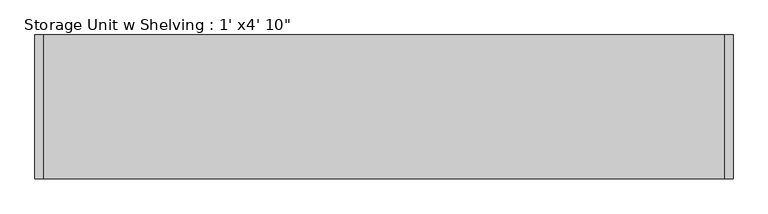
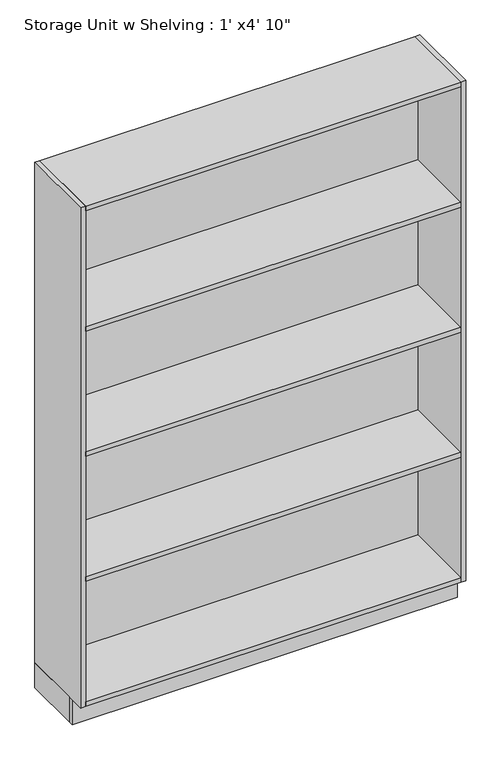
"""IFC4 building model written with IfcOpenShell, lengths in millimetres: furniture geometry."""

import ifcopenshell
import ifcopenshell.guid

model = None  # the IFC model being written
_history = None  # IfcOwnerHistory: only IFC2X3 demands one
_inside = {}  # id of a spatial element -> (the spatial element, [elements in it])
_under = {}  # id of a project, library or spatial element -> (it, [spatial elements below it])
_declared = {}  # id of a project -> (the project, [libraries it declares])
_typed = {}  # id of a type object -> (the type object, [elements of that type])
_made_of = {}  # id of a material, layer set ... -> (it, [elements and type objects made of it])


def new_model(schema):
    """Start an empty IFC model of exactly this schema.

    Asked for "IFC4X3", IfcOpenShell would pick the latest addendum, in which some entities
    have other attributes; the version numbers below select the first issue.
    IFC2X3 requires an IfcOwnerHistory on every rooted entity: one is made here for all.
    """
    global model, _history
    if schema == "IFC4X3":
        model = ifcopenshell.file(schema_version=(4, 3, 0, 0))
    else:
        model = ifcopenshell.file(schema=schema)
    _inside.clear()
    _under.clear()
    _declared.clear()
    _typed.clear()
    _made_of.clear()
    _history = None
    if model.schema == "IFC2X3":
        org = make("IfcOrganization", Name="unknown")
        user = make(
            "IfcPersonAndOrganization",
            ThePerson=make("IfcPerson", FamilyName="unknown"),
            TheOrganization=org,
        )
        app = make(
            "IfcApplication",
            ApplicationDeveloper=org,
            Version="unknown",
            ApplicationFullName="unknown",
            ApplicationIdentifier="unknown",
        )
        _history = make(
            "IfcOwnerHistory",
            OwningUser=user,
            OwningApplication=app,
            ChangeAction="ADDED",
            CreationDate=0,
        )
    return model


def make(cls, **values):
    """One entity of the class cls with the attributes given. An attribute that is None is left unset."""
    return model.create_entity(
        cls, **{name: value for name, value in values.items() if value is not None}
    )


def rooted(cls, **values):
    """An entity with a GlobalId (a new one), such as an element, a storey or a relation."""
    return make(cls, GlobalId=ifcopenshell.guid.new(), OwnerHistory=_history, **values)


def si_unit(unit_type, name, prefix=None):
    """IfcSIUnit, for example si_unit("LENGTHUNIT", "METRE", prefix="MILLI")."""
    return make("IfcSIUnit", UnitType=unit_type, Prefix=prefix, Name=name)


def assignment(units):
    """IfcUnitAssignment: the units of a project."""
    return None if units is None else make("IfcUnitAssignment", Units=units)


def point(xyz):
    """IfcCartesianPoint."""
    return None if xyz is None else make("IfcCartesianPoint", Coordinates=xyz)


def direction(xyz):
    """IfcDirection."""
    return None if xyz is None else make("IfcDirection", DirectionRatios=xyz)


def frame(location, z_axis=None, x_axis=None):
    """IfcAxis2Placement3D, a coordinate frame: its origin and axes. An axis left out is left unset."""
    return make(
        "IfcAxis2Placement3D",
        Location=point(location),
        Axis=direction(z_axis),
        RefDirection=direction(x_axis),
    )


def origin():
    """The frame at (0, 0, 0) with its axes left unset."""
    return frame((0.0, 0.0, 0.0))


def origin_with_axes():
    """The frame at (0, 0, 0) with the z axis (0, 0, 1) and the x axis (1, 0, 0) written out."""
    return frame((0.0, 0.0, 0.0), z_axis=(0.0, 0.0, 1.0), x_axis=(1.0, 0.0, 0.0))


def place(relative_to, where):
    """IfcLocalPlacement: puts the frame where relative to a parent placement (None: the world)."""
    return make(
        "IfcLocalPlacement", PlacementRelTo=relative_to, RelativePlacement=where
    )


def context(
    kind, dimensions, precision=None, world=None, true_north=None, identifier=None
):
    """IfcGeometricRepresentationContext, for example the 3D "Model" context."""
    return make(
        "IfcGeometricRepresentationContext",
        ContextIdentifier=identifier,
        ContextType=kind,
        CoordinateSpaceDimension=dimensions,
        Precision=precision,
        WorldCoordinateSystem=world,
        TrueNorth=true_north,
    )


def project(units=None, contexts=None):
    """IfcProject with its units and contexts."""
    return rooted(
        "IfcProject",
        Name="project",
        RepresentationContexts=contexts,
        UnitsInContext=assignment(units),
    )


def spatial(cls, under=None, at=None, **own):
    """A site, building, storey or space (cls), placed at a placement, below another one or the project."""
    s = rooted(cls, ObjectPlacement=at, **own)
    if under is not None:
        _under.setdefault(under.id(), (under, []))[1].append(s)
    return s


def polyline(points):
    """IfcPolyline through the points."""
    return make("IfcPolyline", Points=[point(p) for p in points])


def outline(outer, holes=None, kind="AREA"):
    """IfcArbitraryClosedProfileDef: a profile drawn as a closed curve; with holes, ...WithVoids."""
    if holes is None:
        return make("IfcArbitraryClosedProfileDef", ProfileType=kind, OuterCurve=outer)
    return make(
        "IfcArbitraryProfileDefWithVoids",
        ProfileType=kind,
        OuterCurve=outer,
        InnerCurves=holes,
    )


def extrude(swept, where, along, depth):
    """IfcExtrudedAreaSolid: the profile swept, set in the frame where, extruded along a direction by depth."""
    return make(
        "IfcExtrudedAreaSolid",
        SweptArea=swept,
        Position=where,
        ExtrudedDirection=direction(along),
        Depth=depth,
    )


def shape(context_of_items, identifier, shape_type, items):
    """IfcShapeRepresentation: the items that make up one representation, for example the "Body"."""
    return make(
        "IfcShapeRepresentation",
        ContextOfItems=context_of_items,
        RepresentationIdentifier=identifier,
        RepresentationType=shape_type,
        Items=items,
    )


def source(mapping_origin, context_of_items, identifier, shape_type, items):
    """IfcRepresentationMap: a shape defined once, which mapped items show again and again."""
    return make(
        "IfcRepresentationMap",
        MappingOrigin=mapping_origin,
        MappedRepresentation=shape(context_of_items, identifier, shape_type, items),
    )


def transform(
    local_origin,
    x_axis=None,
    y_axis=None,
    z_axis=None,
    scale=None,
    scale2=None,
    scale3=None,
    uniform=True,
):
    """IfcCartesianTransformationOperator3D, or its non-uniform kind. x_axis, y_axis, z_axis: its Axis1, 2, 3."""
    if uniform:
        return make(
            "IfcCartesianTransformationOperator3D",
            Axis1=direction(x_axis),
            Axis2=direction(y_axis),
            LocalOrigin=point(local_origin),
            Scale=scale,
            Axis3=direction(z_axis),
        )
    return make(
        "IfcCartesianTransformationOperator3DnonUniform",
        Axis1=direction(x_axis),
        Axis2=direction(y_axis),
        LocalOrigin=point(local_origin),
        Scale=scale,
        Axis3=direction(z_axis),
        Scale2=scale2,
        Scale3=scale3,
    )


def mapped(mapping_source, mapping_target):
    """IfcMappedItem: shows the shape of a source again, moved by a transform."""
    return make(
        "IfcMappedItem", MappingSource=mapping_source, MappingTarget=mapping_target
    )


def made_of(thing, what):
    """Note that an element or type object is made of a material, layer set ...; save() writes the relation."""
    if what is not None:
        _made_of.setdefault(what.id(), (what, []))[1].append(thing)
    return thing


def element(
    cls,
    number,
    at=None,
    inside=None,
    cuts=None,
    type_object=None,
    material=None,
    context=None,
    identifier="Body",
    shape_type=None,
    held_by="IfcProductDefinitionShape",
    body=None,
    shapes=None,
    **own,
):
    """One element of the class cls, such as IfcWall. Its Tag is "e" and its number.

    at: its placement. inside: the storey or other place that contains it. cuts: it is an
    opening in that element (IfcRelVoidsElement). A single representation is given by context,
    identifier, shape_type and body (its items); several are given by shapes. held_by: the class
    of the entity that holds the representations. save() writes the other relations.
    """
    e = rooted(cls, Tag="e%d" % number, ObjectPlacement=at, **own)
    if body is not None:
        shapes = [shape(context, identifier, shape_type, body)]
    if shapes is not None:
        e.Representation = make(held_by, Representations=shapes)
    if inside is not None:
        _inside.setdefault(inside.id(), (inside, []))[1].append(e)
    if cuts is not None:
        rooted(
            "IfcRelVoidsElement", RelatingBuildingElement=cuts, RelatedOpeningElement=e
        )
    if type_object is not None:
        _typed.setdefault(type_object.id(), (type_object, []))[1].append(e)
    return made_of(e, material)


def aggregate(whole, parts):
    """IfcRelAggregates: a whole, such as a stair, and the parts it consists of."""
    return rooted("IfcRelAggregates", RelatingObject=whole, RelatedObjects=parts)


def save(model, path):
    """Write the relations noted so far, then the file.

    IfcRelAggregates (storeys below a building ...), IfcRelContainedInSpatialStructure (elements
    in a storey), IfcRelDefinesByType, IfcRelAssociatesMaterial and IfcRelDeclares: one each for
    every whole, place, type object, material and project.
    """
    for whole, parts in _under.values():
        aggregate(whole, parts)
    for where, things in _inside.values():
        rooted(
            "IfcRelContainedInSpatialStructure",
            RelatedElements=things,
            RelatingStructure=where,
        )
    for kind, things in _typed.values():
        rooted("IfcRelDefinesByType", RelatedObjects=things, RelatingType=kind)
    for what, things in _made_of.values():
        rooted("IfcRelAssociatesMaterial", RelatedObjects=things, RelatingMaterial=what)
    for by, libraries in _declared.values():
        rooted("IfcRelDeclares", RelatingContext=by, RelatedDefinitions=libraries)
    model.write(path)


def furniture_c73dc573(model_context):
    return source(origin(), model_context, "Body", "SweptSolid", [
        extrude(outline(polyline([(614.990969, -228.6), (614.990969, 0.0), (634.040969, 0.0), (634.040969, -228.6), (614.990969, -228.6)])), origin_with_axes(), (0.0, 0.0, 1.0), 101.6),
        extrude(outline(polyline([(-845.559031, -228.6), (-845.559031, 0.0), (-826.509031, 0.0), (-826.509031, -228.6), (-845.559031, -228.6)])), origin_with_axes(), (0.0, 0.0, 1.0), 101.6),
        extrude(outline(polyline([(614.990969, -19.05), (614.990969, -304.8), (-826.509031, -304.8), (-826.509031, -19.05), (614.990969, -19.05)])), frame((0.0, 0.0, 1625.6), z_axis=(0.0, 0.0, 1.0), x_axis=(1.0, 0.0, 0.0)), (0.0, 0.0, 1.0), 19.05),
        extrude(outline(polyline([(614.990969, -19.05), (614.990969, -304.8), (-826.509031, -304.8), (-826.509031, -19.05), (614.990969, -19.05)])), frame((0.0, 0.0, 1117.6), z_axis=(0.0, 0.0, 1.0), x_axis=(1.0, 0.0, 0.0)), (0.0, 0.0, 1.0), 19.05),
        extrude(outline(polyline([(614.990969, -19.05), (614.990969, -304.8), (-826.509031, -304.8), (-826.509031, -19.05), (614.990969, -19.05)])), frame((0.0, 0.0, 609.6), z_axis=(0.0, 0.0, 1.0), x_axis=(1.0, 0.0, 0.0)), (0.0, 0.0, 1.0), 19.05),
        extrude(outline(polyline([(614.990969, -19.05), (614.990969, -304.8), (-826.509031, -304.8), (-826.509031, -19.05), (614.990969, -19.05)])), frame((0.0, 0.0, 101.6), z_axis=(0.0, 0.0, 1.0), x_axis=(1.0, 0.0, 0.0)), (0.0, 0.0, 1.0), 19.05),
        extrude(outline(polyline([(614.990969, -19.05), (-826.509031, -19.05), (-826.509031, 0.0), (614.990969, 0.0), (614.990969, -19.05)])), origin_with_axes(), (0.0, 0.0, 1.0), 2114.55),
        extrude(outline(polyline([(614.990969, 0.0), (614.990969, -304.8), (-826.509031, -304.8), (-826.509031, 0.0), (614.990969, 0.0)])), frame((0.0, 0.0, 2114.55), z_axis=(0.0, 0.0, 1.0), x_axis=(1.0, 0.0, 0.0)), (0.0, 0.0, 1.0), 19.05),
        extrude(outline(polyline([(614.990969, -304.8), (614.990969, 0.0), (634.040969, 0.0), (634.040969, -304.8), (614.990969, -304.8)])), frame((0.0, 0.0, 101.6), z_axis=(0.0, 0.0, 1.0), x_axis=(1.0, 0.0, 0.0)), (0.0, 0.0, 1.0), 2032.0),
        extrude(outline(polyline([(-845.559031, -304.8), (-845.559031, 0.0), (-826.509031, 0.0), (-826.509031, -304.8), (-845.559031, -304.8)])), frame((0.0, 0.0, 101.6), z_axis=(0.0, 0.0, 1.0), x_axis=(1.0, 0.0, 0.0)), (0.0, 0.0, 1.0), 2032.0),
        extrude(outline(polyline([(-845.559031, -247.65), (-845.559031, -228.6), (634.040969, -228.6), (634.040969, -247.65), (-845.559031, -247.65)])), origin_with_axes(), (0.0, 0.0, 1.0), 101.6),
    ])


if __name__ == "__main__":
    model = new_model("IFC4")
    model_context = context("Model", 3, world=origin())
    ifc_project = project(units=[si_unit("LENGTHUNIT", "METRE", prefix="MILLI")], contexts=[model_context])
    site = spatial("IfcSite", under=ifc_project)
    building = spatial("IfcBuilding", under=site)
    placement = place(None, origin())
    furniture_shape = furniture_c73dc573(model_context)
    element("IfcFurniture", 1, ObjectType="Storage Unit w Shelving : 1' x4' 10\"", at=placement, inside=building, context=model_context, shape_type="MappedRepresentation", body=[
        mapped(furniture_shape, transform((0.0, 0.0, 0.0), x_axis=(1.0, 0.0, 0.0), y_axis=(0.0, 1.0, 0.0), z_axis=(0.0, 0.0, 1.0))),
    ])
    save(model, "model.ifc")
